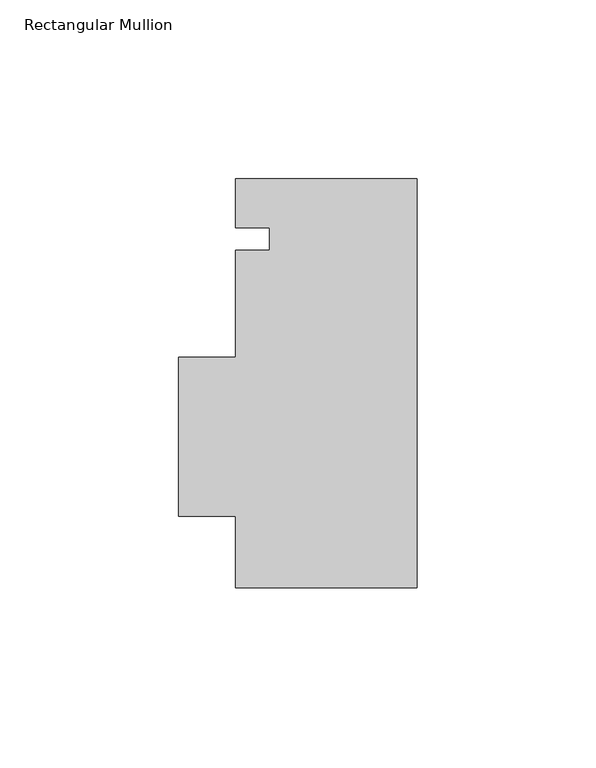
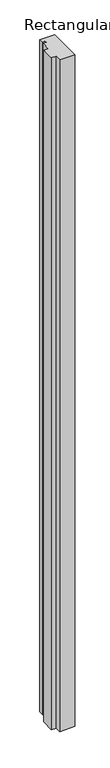
"""IFC4 building model written with IfcOpenShell, lengths in millimetres: member geometry, Rectangular Mullion."""

from ifc_helpers import new_model, si_unit, frame, origin, place, context, project, spatial, polyline, outline, extrude, source, transform, mapped, element, save


def rectangular_mullion_51ec15c9(model_context):
    return source(origin(), model_context, "Body", "SweptSolid", [
        extrude(outline(polyline([(-25.4, -39.8224438), (-25.4, -19.8831937), (-41.275, -19.8831937), (-41.275, 24.5668063), (-25.4, 24.5668063), (-25.4, 54.4750562), (-15.875, 54.4750562), (-15.875, 60.8250562), (-25.4, 60.8250562), (-25.4, 74.4775562), (25.4, 74.4775562), (25.4, -39.8224438), (-25.4, -39.8224438)])), frame((0.0, 0.0, -2359.1444043), z_axis=(0.0, 0.0, 1.0), x_axis=(1.0, 0.0, 0.0)), (0.0, 0.0, 1.0), 2359.1444043),
    ])


if __name__ == "__main__":
    model = new_model("IFC4")
    model_context = context("Model", 3, world=origin())
    ifc_project = project(units=[si_unit("LENGTHUNIT", "METRE", prefix="MILLI")], contexts=[model_context])
    site = spatial("IfcSite", under=ifc_project)
    building = spatial("IfcBuilding", under=site)
    placement = place(None, origin())
    rectangular_mullion_shape = rectangular_mullion_51ec15c9(model_context)
    element("IfcMember", 1, ObjectType="Rectangular Mullion", at=placement, inside=building, context=model_context, shape_type="MappedRepresentation", body=[
        mapped(rectangular_mullion_shape, transform((0.0, 0.0, 0.0), x_axis=(1.0, 0.0, 0.0), y_axis=(0.0, 1.0, 0.0), z_axis=(0.0, 0.0, 1.0))),
    ])
    save(model, "model.ifc")
